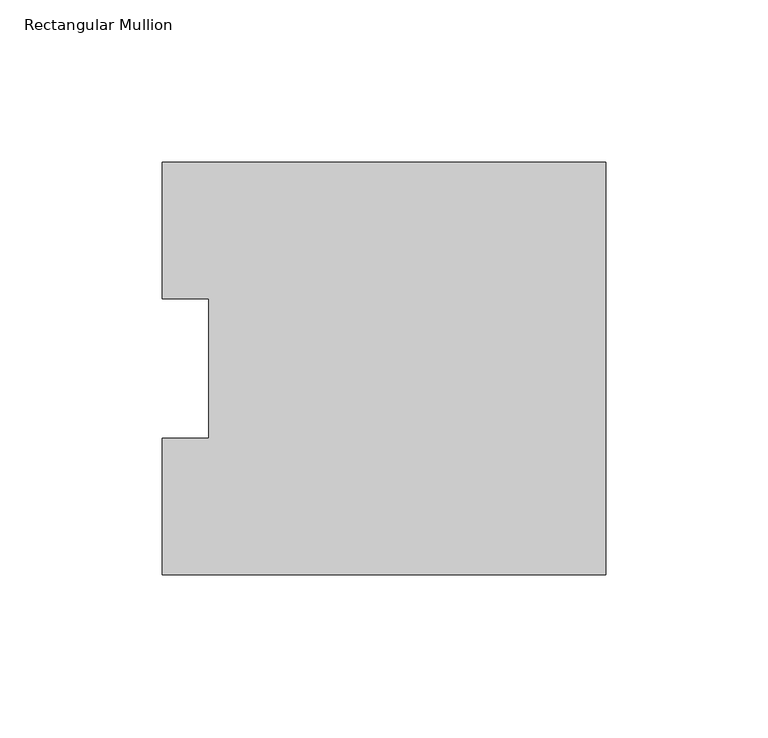
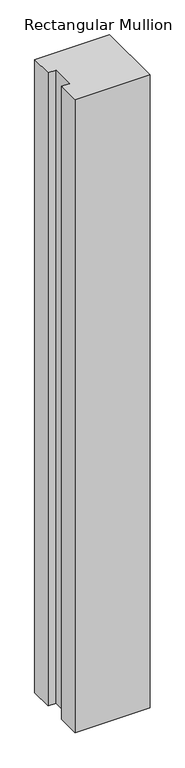
"""IFC4 building model written with IfcOpenShell, lengths in millimetres: member geometry, Rectangular Mullion."""

from ifc_helpers import new_model, si_unit, frame, origin, place, context, project, spatial, polyline, outline, extrude, source, transform, mapped, element, save


def rectangular_mullion_1f8e2a65(model_context):
    return source(origin(), model_context, "Body", "SweptSolid", [
        extrude(outline(polyline([(0.0, 127.00635), (0.0, 0.00635), (-136.525, 0.00635), (-136.525, 42.08145), (-122.2375, 42.08145), (-122.2375, 84.93125), (-136.525, 84.93125), (-136.525, 127.00635), (0.0, 127.00635)])), frame((0.0, 0.0, -1219.2), z_axis=(0.0, 0.0, 1.0), x_axis=(1.0, 0.0, 0.0)), (0.0, 0.0, 1.0), 1219.2),
    ])


if __name__ == "__main__":
    model = new_model("IFC4")
    model_context = context("Model", 3, world=origin())
    ifc_project = project(units=[si_unit("LENGTHUNIT", "METRE", prefix="MILLI")], contexts=[model_context])
    site = spatial("IfcSite", under=ifc_project)
    building = spatial("IfcBuilding", under=site)
    placement = place(None, origin())
    rectangular_mullion_shape = rectangular_mullion_1f8e2a65(model_context)
    element("IfcMember", 1, ObjectType="Rectangular Mullion", at=placement, inside=building, context=model_context, shape_type="MappedRepresentation", body=[
        mapped(rectangular_mullion_shape, transform((0.0, 0.0, 0.0), x_axis=(1.0, 0.0, 0.0), y_axis=(0.0, 1.0, 0.0), z_axis=(0.0, 0.0, 1.0))),
    ])
    save(model, "model.ifc")
